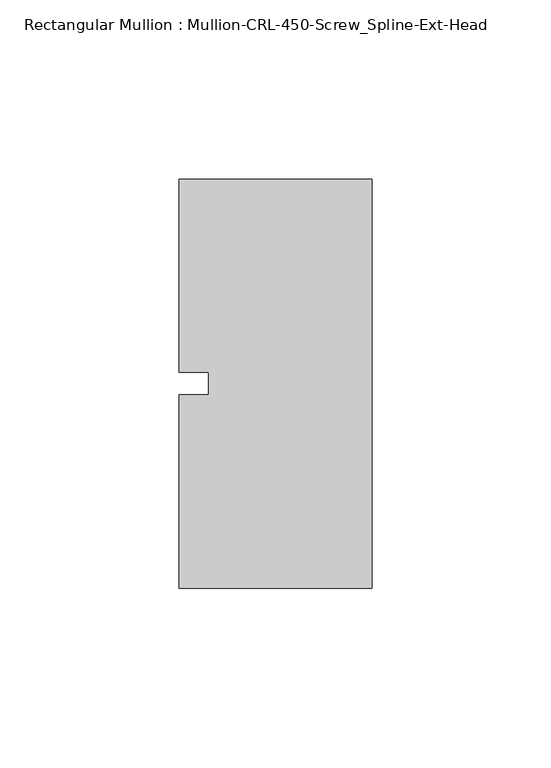
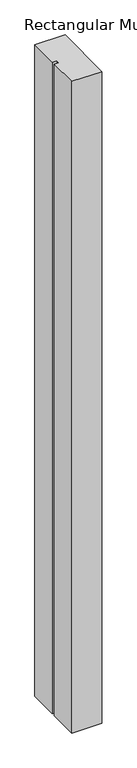
"""IFC4 building model written with IfcOpenShell, lengths in millimetres: member geometry, Rectangular Mullion : Mullion-CRL-450-Screw_Spline-Ext-Head."""

from ifc_helpers import new_model, si_unit, frame, origin, place, context, project, spatial, polyline, outline, extrude, source, transform, mapped, element, save


def rectangular_mullion_mullion_crl_450_screw_spline_ext_head_f866e61e(model_context):
    return source(origin(), model_context, "Body", "SweptSolid", [
        extrude(outline(polyline([(-53.975, -57.15), (-53.975, -3.175), (-45.6826044, -3.175), (-45.6826044, 3.175), (-53.975, 3.175), (-53.975, 57.15), (0.0, 57.15), (0.0, -57.15), (-53.975, -57.15)])), frame((0.0, 0.0, -1234.0166667), z_axis=(0.0, 0.0, 1.0), x_axis=(1.0, 0.0, 0.0)), (0.0, 0.0, 1.0), 1234.0166667),
    ])


if __name__ == "__main__":
    model = new_model("IFC4")
    model_context = context("Model", 3, world=origin())
    ifc_project = project(units=[si_unit("LENGTHUNIT", "METRE", prefix="MILLI")], contexts=[model_context])
    site = spatial("IfcSite", under=ifc_project)
    building = spatial("IfcBuilding", under=site)
    placement = place(None, origin())
    rectangular_mullion_mullion_crl_450_screw_spline_ext_head_shape = rectangular_mullion_mullion_crl_450_screw_spline_ext_head_f866e61e(model_context)
    element("IfcMember", 1, ObjectType="Rectangular Mullion : Mullion-CRL-450-Screw_Spline-Ext-Head", at=placement, inside=building, context=model_context, shape_type="MappedRepresentation", body=[
        mapped(rectangular_mullion_mullion_crl_450_screw_spline_ext_head_shape, transform((0.0, 0.0, 0.0), x_axis=(1.0, 0.0, 0.0), y_axis=(0.0, 1.0, 0.0), z_axis=(0.0, 0.0, 1.0))),
    ])
    save(model, "model.ifc")
